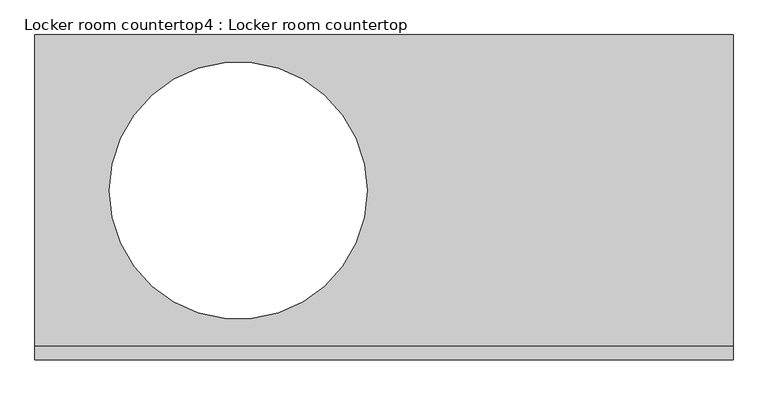
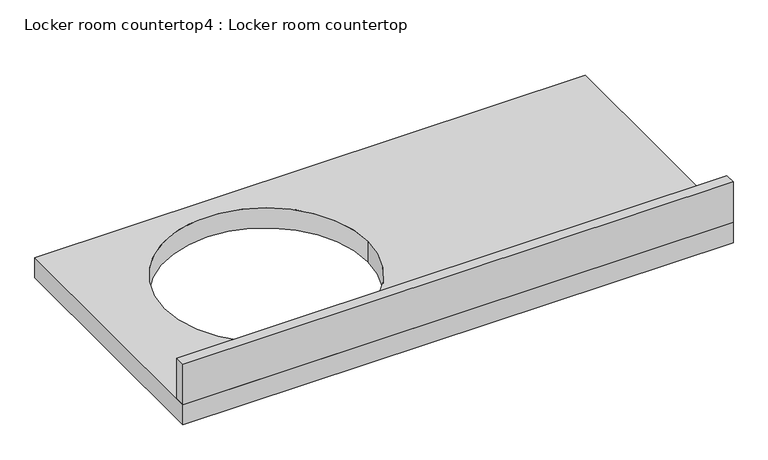
"""IFC4 building model written with IfcOpenShell, lengths in millimetres: furniture geometry, Locker room countertop4 : Locker room countertop."""

from ifc_helpers import new_model, si_unit, point, frame, frame_2d, origin, place, context, project, spatial, polyline, circle_curve, trimmed, segment, composite_curve, outline, extrude, source, transform, mapped, element, save


def locker_room_countertop4_locker_room_countertop_d43e106b(model_context):
    return source(origin(), model_context, "Body", "SweptSolid", [
        extrude(outline(polyline([(182174.9379676, -357151.7955223), (183483.0379676, -357151.7955223), (183483.0379676, -357177.1955223), (182174.9379676, -357177.1955223), (182174.9379676, -357151.7955223)])), frame((0.0, 0.0, 914.4), z_axis=(0.0, 0.0, 1.0), x_axis=(1.0, 0.0, 0.0)), (0.0, 0.0, 1.0), 101.6),
        extrude(outline(polyline([(182174.9379676, -356567.5955223), (183483.0379676, -356567.5955223), (183483.0379676, -357177.1955223), (182174.9379676, -357177.1955223), (182174.9379676, -356567.5955223)]), holes=[composite_curve([segment(trimmed(circle_curve(frame_2d((182555.9379676, -356859.6955223)), 241.3), [point((182314.6379676, -356859.6955223))], [point((182797.2379676, -356859.6955223))], True, "CARTESIAN"), True, "CONTINUOUS"), segment(trimmed(circle_curve(frame_2d((182555.9379676, -356859.6955223)), 241.3), [point((182797.2379676, -356859.6955223))], [point((182314.6379676, -356859.6955223))], True, "CARTESIAN"), True, "CONTINUOUS")], self_intersect=False)]), frame((0.0, 0.0, 863.6), z_axis=(0.0, 0.0, 1.0), x_axis=(1.0, 0.0, 0.0)), (0.0, 0.0, 1.0), 50.8),
    ])


if __name__ == "__main__":
    model = new_model("IFC4")
    model_context = context("Model", 3, world=origin())
    ifc_project = project(units=[si_unit("LENGTHUNIT", "METRE", prefix="MILLI")], contexts=[model_context])
    site = spatial("IfcSite", under=ifc_project)
    building = spatial("IfcBuilding", under=site)
    placement = place(None, origin())
    locker_room_countertop4_locker_room_countertop_shape = locker_room_countertop4_locker_room_countertop_d43e106b(model_context)
    element("IfcFurniture", 1, ObjectType="Locker room countertop4 : Locker room countertop", at=placement, inside=building, context=model_context, shape_type="MappedRepresentation", body=[
        mapped(locker_room_countertop4_locker_room_countertop_shape, transform((0.0, 0.0, 0.0), x_axis=(1.0, 0.0, 0.0), y_axis=(0.0, 1.0, 0.0), z_axis=(0.0, 0.0, 1.0))),
    ])
    save(model, "model.ifc")
